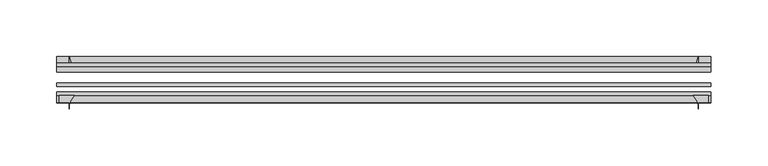
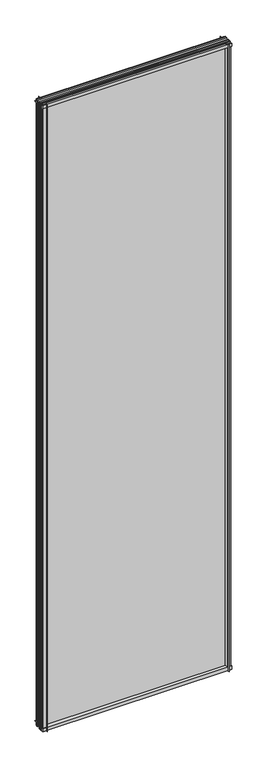
"""IFC4 building model written with IfcOpenShell, lengths in millimetres: plate geometry."""

from ifc_helpers import new_model, si_unit, point, frame, frame_2d, origin, place, context, project, spatial, polyline, circle_curve, trimmed, segment, composite_curve, outline, extrude, source, transform, mapped, element, save


def plate_39ecdb11(model_context):
    return source(origin(), model_context, "Body", "SweptSolid", [
        extrude(outline(composite_curve([segment(polyline([(-42.891075, -11.1125), (-42.891075, 3.8539528)]), True, "CONTINUOUS"), segment(trimmed(circle_curve(frame_2d((-26.637892, 29.5913262)), 30.4397495), [point((-42.891075, 3.8539528))], [point((-33.7745413, 0.0))], True, "CARTESIAN"), True, "CONTINUOUS"), segment(polyline([(-33.7745413, 0.0), (-39.690675, 0.0), (-39.690675, -11.1125), (-42.891075, -11.1125)]), True, "CONTINUOUS")], self_intersect=False)), frame((-289.71875, 0.0, 0.0), z_axis=(1.0, 0.0, 0.0), x_axis=(0.0, 1.0, 0.0)), (0.0, 0.0, 1.0), 579.4375),
        extrude(outline(composite_curve([segment(trimmed(circle_curve(frame_2d((-80.4922797, 17.8701603)), 18.6769817), [point((-74.641075, 0.1333891))], [point((-68.291075, 3.72943))], True, "CARTESIAN"), True, "CONTINUOUS"), segment(polyline([(-68.291075, 3.72943), (-68.291075, -10.3251), (-74.641075, -10.3251), (-74.641075, 0.1333891)]), True, "CONTINUOUS")], self_intersect=False)), frame((-289.71875, 0.0, 0.0), z_axis=(1.0, 0.0, 0.0), x_axis=(0.0, 1.0, 0.0)), (0.0, 0.0, 1.0), 579.4375),
        extrude(outline(composite_curve([segment(polyline([(-42.891075, 2005.9083472), (-42.891075, 2020.8875), (-39.690675, 2020.8875), (-39.690675, 2009.775), (-33.721675, 2009.775)]), True, "CONTINUOUS"), segment(trimmed(circle_curve(frame_2d((-26.637892, 1980.1709738)), 30.4397495), [point((-33.721675, 2009.775))], [point((-42.891075, 2005.9083472))], True, "CARTESIAN"), True, "CONTINUOUS")], self_intersect=False)), frame((-289.71875, 0.0, 0.0), z_axis=(1.0, 0.0, 0.0), x_axis=(0.0, 1.0, 0.0)), (0.0, 0.0, 1.0), 579.4375),
        extrude(outline(composite_curve([segment(polyline([(-68.291075, 2018.5126), (-68.291075, 2005.23912)]), True, "CONTINUOUS"), segment(trimmed(circle_curve(frame_2d((-80.4922797, 1991.0983897)), 18.6769817), [point((-68.291075, 2005.23912))], [point((-74.641075, 2008.8351609))], True, "CARTESIAN"), True, "CONTINUOUS"), segment(polyline([(-74.641075, 2008.8351609), (-74.641075, 2018.5126), (-68.291075, 2018.5126)]), True, "CONTINUOUS")], self_intersect=False)), frame((-289.71875, 0.0, 0.0), z_axis=(1.0, 0.0, 0.0), x_axis=(0.0, 1.0, 0.0)), (0.0, 0.0, 1.0), 579.4375),
        extrude(outline(composite_curve([segment(polyline([(274.07037, -68.291075), (287.34385, -68.291075), (287.34385, -74.641075), (278.60625, -74.641075), (278.60625, -80.3744844)]), True, "CONTINUOUS"), segment(trimmed(circle_curve(frame_2d((259.9296397, -80.4922797)), 18.6769817), [point((278.60625, -80.3744844))], [point((274.07037, -68.291075))], True, "CARTESIAN"), True, "CONTINUOUS")], self_intersect=False)), frame((0.0, 0.0, -11.1125), z_axis=(0.0, 0.0, 1.0), x_axis=(1.0, 0.0, 0.0)), (0.0, 0.0, 1.0), 2032.0),
        extrude(outline(composite_curve([segment(trimmed(circle_curve(frame_2d((249.0022238, -26.637892)), 30.4397495), [point((274.7395972, -42.891075))], [point((278.60625, -33.721675))], True, "CARTESIAN"), True, "CONTINUOUS"), segment(polyline([(278.60625, -33.721675), (278.60625, -39.690675), (289.71875, -39.690675), (289.71875, -42.891075), (274.7395972, -42.891075)]), True, "CONTINUOUS")], self_intersect=False)), frame((0.0, 0.0, -11.1125), z_axis=(0.0, 0.0, 1.0), x_axis=(1.0, 0.0, 0.0)), (0.0, 0.0, 1.0), 2032.0),
        extrude(outline(composite_curve([segment(trimmed(circle_curve(frame_2d((-259.9296397, -80.4922797)), 18.6769817), [point((-274.07037, -68.291075))], [point((-278.60625, -80.3744844))], True, "CARTESIAN"), True, "CONTINUOUS"), segment(polyline([(-278.60625, -80.3744844), (-278.60625, -74.641075), (-287.34385, -74.641075), (-287.34385, -68.291075), (-274.07037, -68.291075)]), True, "CONTINUOUS")], self_intersect=False)), frame((0.0, 0.0, -11.1125), z_axis=(0.0, 0.0, 1.0), x_axis=(1.0, 0.0, 0.0)), (0.0, 0.0, 1.0), 2032.0),
        extrude(outline(composite_curve([segment(polyline([(-274.7395972, -42.891075), (-289.71875, -42.891075), (-289.71875, -39.690675), (-278.60625, -39.690675), (-278.60625, -33.721675)]), True, "CONTINUOUS"), segment(trimmed(circle_curve(frame_2d((-249.0022238, -26.637892)), 30.4397495), [point((-278.60625, -33.721675))], [point((-274.7395972, -42.891075))], True, "CARTESIAN"), True, "CONTINUOUS")], self_intersect=False)), frame((0.0, 0.0, -11.1125), z_axis=(0.0, 0.0, 1.0), x_axis=(1.0, 0.0, 0.0)), (0.0, 0.0, 1.0), 2032.0),
        extrude(outline(polyline([(-289.71875, -42.891075), (289.71875, -42.891075), (289.71875, -47.653575), (-289.71875, -47.653575), (-289.71875, -42.891075)])), frame((0.0, 0.0, -11.1125), z_axis=(0.0, 0.0, 1.0), x_axis=(1.0, 0.0, 0.0)), (0.0, 0.0, 1.0), 2032.0),
        extrude(outline(polyline([(289.71875, -57.369075), (289.71875, -60.544075), (-289.71875, -60.544075), (-289.71875, -57.369075), (289.71875, -57.369075)])), frame((0.0, 0.0, -11.1125), z_axis=(0.0, 0.0, 1.0), x_axis=(1.0, 0.0, 0.0)), (0.0, 0.0, 1.0), 2032.0),
        extrude(outline(polyline([(-289.71875, -65.116075), (289.71875, -65.116075), (289.71875, -68.291075), (-289.71875, -68.291075), (-289.71875, -65.116075)])), frame((0.0, 0.0, -11.1125), z_axis=(0.0, 0.0, 1.0), x_axis=(1.0, 0.0, 0.0)), (0.0, 0.0, 1.0), 2032.0),
    ])


if __name__ == "__main__":
    model = new_model("IFC4")
    model_context = context("Model", 3, world=origin())
    ifc_project = project(units=[si_unit("LENGTHUNIT", "METRE", prefix="MILLI")], contexts=[model_context])
    site = spatial("IfcSite", under=ifc_project)
    building = spatial("IfcBuilding", under=site)
    placement = place(None, origin())
    plate_shape = plate_39ecdb11(model_context)
    element("IfcPlate", 1, at=placement, inside=building, context=model_context, shape_type="MappedRepresentation", body=[
        mapped(plate_shape, transform((0.0, 0.0, 0.0), x_axis=(1.0, 0.0, 0.0), y_axis=(0.0, 1.0, 0.0), z_axis=(0.0, 0.0, 1.0))),
    ])
    save(model, "model.ifc")
